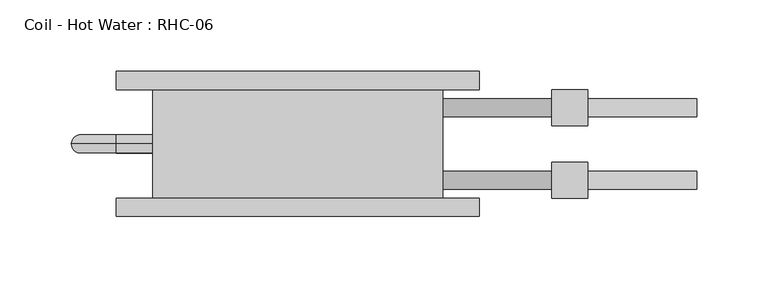
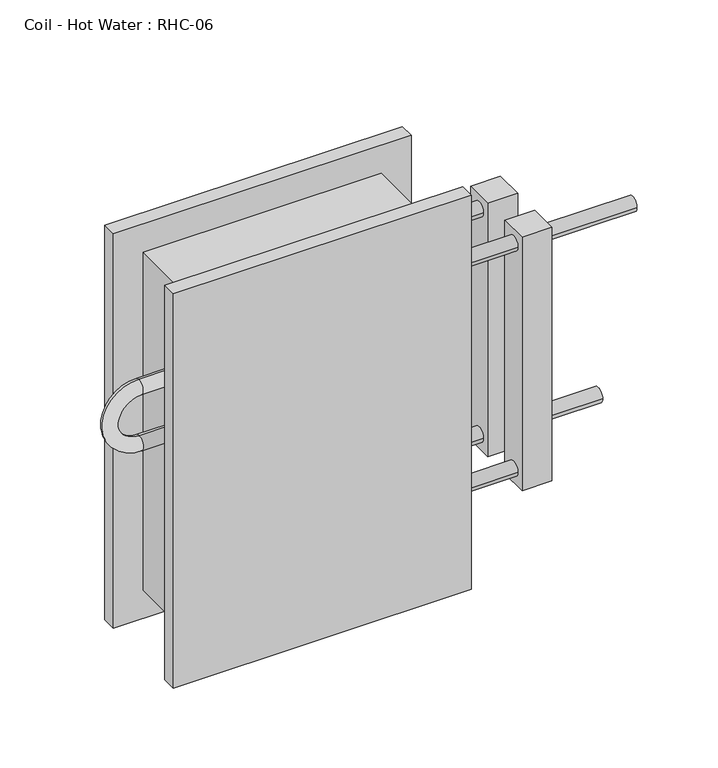
"""IFC4 building model written with IfcOpenShell, lengths in millimetres: proxy geometry, Coil - Hot Water : RHC-06."""

from ifc_helpers import new_model, si_unit, point, frame, origin, place, context, project, spatial, circle_curve, ellipse_curve, trimmed, source, transform, mapped, element, save
from ifc_brep_helpers import plane_surface, cylinder_surface, revolved_surface, advanced_brep


def coil_hot_water_rhc_06_cd03fad8(model_context):
    return source(origin(), model_context, "Body", "AdvancedBrep", [
        advanced_brep(
        [(-101.6, 76.2, 304.8), (-101.6, 0.0, 304.8), (101.6, 0.0, 304.8), (101.6, 76.2, 304.8), (101.6, 76.2, 0.0), (101.6, 0.0, 0.0), (-101.6, 0.0, 0.0), (-101.6, 76.2, 0.0), (-101.6, 38.1, 222.25), (-101.6, 38.1, 209.55), (-101.6, 38.1, 171.45), (-101.6, 38.1, 158.75), (101.6, 57.15, 254.0), (101.6, 69.85, 254.0), (101.6, 6.35, 50.8), (101.6, 19.05, 50.8), (101.6, 6.35, 254.0), (101.6, 19.05, 254.0), (101.6, 57.15, 50.8), (101.6, 69.85, 50.8), (127.0, 76.2, 330.2), (-127.0, 76.2, 330.2), (-127.0, 76.2, -25.4), (127.0, 76.2, -25.4), (127.0, 88.9, 330.2), (127.0, 88.9, -25.4), (-127.0, 88.9, -25.4), (-127.0, 88.9, 330.2), (279.4, 57.15, 50.8), (279.4, 69.85, 50.8), (279.4, 6.35, 254.0), (279.4, 19.05, 254.0), (203.2, 57.15, 50.8), (203.2, 69.85, 50.8), (203.2, 6.35, 254.0), (203.2, 19.05, 254.0), (127.0, -12.7, 330.2), (-127.0, -12.7, 330.2), (-127.0, -12.7, -25.4), (127.0, -12.7, -25.4), (127.0, 0.0, 330.2), (127.0, 0.0, -25.4), (-127.0, 0.0, -25.4), (-127.0, 0.0, 330.2), (-127.0, 38.1, 222.25), (-127.0, 38.1, 209.55), (-127.0, 38.1, 158.75), (-127.0, 38.1, 171.45), (177.8, 57.15, 254.0), (177.8, 69.85, 254.0), (177.8, 6.35, 50.8), (177.8, 19.05, 50.8), (177.8, 6.35, 254.0), (177.8, 19.05, 254.0), (177.8, 57.15, 50.8), (177.8, 69.85, 50.8), (203.2, 50.8, 266.7), (203.2, 50.8, 38.1), (203.2, 76.2, 38.1), (203.2, 76.2, 266.7), (203.2, 0.0, 266.7), (203.2, 0.0, 38.1), (203.2, 25.4, 38.1), (203.2, 25.4, 266.7), (177.8, 50.8, 266.7), (177.8, 76.2, 266.7), (177.8, 76.2, 38.1), (177.8, 50.8, 38.1), (177.8, 0.0, 266.7), (177.8, 25.4, 266.7), (177.8, 25.4, 38.1), (177.8, 0.0, 38.1)],
        [
            (0, 1),
            (1, 2),
            (2, 3),
            (3, 0),
            (4, 5),
            (5, 6),
            (6, 7),
            (7, 4),
            (0, 7),
            (6, 1),
            (8, 9, circle_curve(frame((-101.6, 38.1, 215.9), z_axis=(1.0, 0.0, 0.0), x_axis=(0.0, 0.0, -1.0)), 6.35)),
            (9, 8, circle_curve(frame((-101.6, 38.1, 215.9), z_axis=(1.0, 0.0, 0.0), x_axis=(0.0, 0.0, -1.0)), 6.35)),
            (10, 11, circle_curve(frame((-101.6, 38.1, 165.1), z_axis=(1.0, 0.0, 0.0), x_axis=(0.0, 0.0, 1.0)), 6.35)),
            (11, 10, circle_curve(frame((-101.6, 38.1, 165.1), z_axis=(1.0, 0.0, 0.0), x_axis=(0.0, 0.0, 1.0)), 6.35)),
            (2, 5),
            (4, 3),
            (12, 13, circle_curve(frame((101.6, 63.5, 254.0), z_axis=(-1.0, 0.0, 0.0), x_axis=(0.0, 1.0, 0.0)), 6.35)),
            (13, 12, circle_curve(frame((101.6, 63.5, 254.0), z_axis=(-1.0, 0.0, 0.0), x_axis=(0.0, 1.0, 0.0)), 6.35)),
            (14, 15, circle_curve(frame((101.6, 12.7, 50.8), z_axis=(-1.0, 0.0, 0.0), x_axis=(0.0, 1.0, 0.0)), 6.35)),
            (15, 14, circle_curve(frame((101.6, 12.7, 50.8), z_axis=(-1.0, 0.0, 0.0), x_axis=(0.0, 1.0, 0.0)), 6.35)),
            (16, 17, circle_curve(frame((101.6, 12.7, 254.0), z_axis=(-1.0, 0.0, 0.0), x_axis=(0.0, 1.0, 0.0)), 6.35)),
            (17, 16, circle_curve(frame((101.6, 12.7, 254.0), z_axis=(-1.0, 0.0, 0.0), x_axis=(0.0, 1.0, 0.0)), 6.35)),
            (18, 19, circle_curve(frame((101.6, 63.5, 50.8), z_axis=(-1.0, 0.0, 0.0), x_axis=(0.0, 1.0, 0.0)), 6.35)),
            (19, 18, circle_curve(frame((101.6, 63.5, 50.8), z_axis=(-1.0, 0.0, 0.0), x_axis=(0.0, 1.0, 0.0)), 6.35)),
            (20, 21),
            (21, 22),
            (22, 23),
            (23, 20),
            (24, 25),
            (25, 26),
            (26, 27),
            (27, 24),
            (20, 24),
            (27, 21),
            (26, 22),
            (25, 23),
            (28, 29, circle_curve(frame((279.4, 63.5, 50.8), z_axis=(1.0, 0.0, 0.0), x_axis=(0.0, 1.0, 0.0)), 6.35)),
            (29, 28, circle_curve(frame((279.4, 63.5, 50.8), z_axis=(1.0, 0.0, 0.0), x_axis=(0.0, 1.0, 0.0)), 6.35)),
            (30, 31, circle_curve(frame((279.4, 12.7, 254.0), z_axis=(1.0, 0.0, 0.0), x_axis=(0.0, 1.0, 0.0)), 6.35)),
            (31, 30, circle_curve(frame((279.4, 12.7, 254.0), z_axis=(1.0, 0.0, 0.0), x_axis=(0.0, 1.0, 0.0)), 6.35)),
            (28, 32),
            (32, 33, circle_curve(frame((203.2, 63.5, 50.8), z_axis=(1.0, 0.0, 0.0), x_axis=(0.0, 1.0, 0.0)), 6.35)),
            (33, 29),
            (33, 32, circle_curve(frame((203.2, 63.5, 50.8), z_axis=(1.0, 0.0, 0.0), x_axis=(0.0, 1.0, 0.0)), 6.35)),
            (30, 34),
            (34, 35, circle_curve(frame((203.2, 12.7, 254.0), z_axis=(1.0, 0.0, 0.0), x_axis=(0.0, 1.0, 0.0)), 6.35)),
            (35, 31),
            (35, 34, circle_curve(frame((203.2, 12.7, 254.0), z_axis=(1.0, 0.0, 0.0), x_axis=(0.0, 1.0, 0.0)), 6.35)),
            (36, 37),
            (37, 38),
            (38, 39),
            (39, 36),
            (40, 41),
            (41, 42),
            (42, 43),
            (43, 40),
            (36, 40),
            (43, 37),
            (42, 38),
            (41, 39),
            (8, 44),
            (44, 45, circle_curve(frame((-127.0, 38.1, 215.9), z_axis=(1.0, 0.0, 0.0), x_axis=(0.0, 0.0, -1.0)), 6.35)),
            (45, 9),
            (45, 44, circle_curve(frame((-127.0, 38.1, 215.9), z_axis=(1.0, 0.0, 0.0), x_axis=(0.0, 0.0, -1.0)), 6.35)),
            (44, 46, circle_curve(frame((-127.0, 38.1, 190.5), z_axis=(0.0, -1.0, 0.0), x_axis=(0.0, 0.0, 1.0)), 31.75)),
            (46, 47, circle_curve(frame((-127.0, 38.1, 165.1), z_axis=(-1.0, 0.0, 0.0), x_axis=(0.0, 0.0, 1.0)), 6.35)),
            (47, 45, circle_curve(frame((-127.0, 38.1, 190.5), z_axis=(0.0, 1.0, 0.0), x_axis=(0.0, 0.0, 1.0)), 19.05)),
            (47, 46, circle_curve(frame((-127.0, 38.1, 165.1), z_axis=(-1.0, 0.0, 0.0), x_axis=(0.0, 0.0, 1.0)), 6.35)),
            (46, 11),
            (10, 47),
            (12, 48),
            (48, 49, circle_curve(frame((177.8, 63.5, 254.0), z_axis=(-1.0, 0.0, 0.0), x_axis=(0.0, 1.0, 0.0)), 6.35)),
            (49, 13),
            (49, 48, circle_curve(frame((177.8, 63.5, 254.0), z_axis=(-1.0, 0.0, 0.0), x_axis=(0.0, 1.0, 0.0)), 6.35)),
            (14, 50),
            (50, 51, circle_curve(frame((177.8, 12.7, 50.8), z_axis=(-1.0, 0.0, 0.0), x_axis=(0.0, 1.0, 0.0)), 6.35)),
            (51, 15),
            (51, 50, circle_curve(frame((177.8, 12.7, 50.8), z_axis=(-1.0, 0.0, 0.0), x_axis=(0.0, 1.0, 0.0)), 6.35)),
            (16, 52),
            (52, 53, circle_curve(frame((177.8, 12.7, 254.0), z_axis=(-1.0, 0.0, 0.0), x_axis=(0.0, 1.0, 0.0)), 6.35)),
            (53, 17),
            (53, 52, circle_curve(frame((177.8, 12.7, 254.0), z_axis=(-1.0, 0.0, 0.0), x_axis=(0.0, 1.0, 0.0)), 6.35)),
            (18, 54),
            (54, 55, circle_curve(frame((177.8, 63.5, 50.8), z_axis=(-1.0, 0.0, 0.0), x_axis=(0.0, 1.0, 0.0)), 6.35)),
            (55, 19),
            (55, 54, circle_curve(frame((177.8, 63.5, 50.8), z_axis=(-1.0, 0.0, 0.0), x_axis=(0.0, 1.0, 0.0)), 6.35)),
            (56, 57),
            (57, 58),
            (58, 59),
            (59, 56),
            (60, 61),
            (61, 62),
            (62, 63),
            (63, 60),
            (64, 65),
            (65, 66),
            (66, 67),
            (67, 64),
            (68, 69),
            (69, 70),
            (70, 71),
            (71, 68),
            (56, 64),
            (67, 57),
            (66, 58),
            (65, 59),
            (60, 68),
            (71, 61),
            (70, 62),
            (69, 63),
        ],
        [
            plane_surface(frame((-101.6, 76.2, 304.8), z_axis=(0.0, 0.0, 1.0), x_axis=(-1.0, 0.0, 0.0))),
            plane_surface(frame((-101.6, 76.2, 0.0), z_axis=(0.0, 0.0, -1.0), x_axis=(1.0, 0.0, 0.0))),
            plane_surface(frame((-101.6, 76.2, 304.8), z_axis=(-1.0, 0.0, 0.0), x_axis=(0.0, 0.0, -1.0))),
            plane_surface(frame((101.6, 0.0, 304.8), z_axis=(1.0, 0.0, 0.0), x_axis=(0.0, 0.0, -1.0))),
            plane_surface(frame((-127.0, 76.2, 330.2), z_axis=(0.0, -1.0, 0.0), x_axis=(-1.0, 0.0, 0.0))),
            plane_surface(frame((-127.0, 88.9, 330.2), z_axis=(0.0, 1.0, 0.0), x_axis=(1.0, 0.0, 0.0))),
            plane_surface(frame((127.0, 76.2, 330.2), z_axis=(0.0, 0.0, 1.0), x_axis=(0.0, 1.0, 0.0))),
            plane_surface(frame((-127.0, 76.2, 330.2), z_axis=(-1.0, 0.0, 0.0), x_axis=(0.0, 1.0, 0.0))),
            plane_surface(frame((-127.0, 76.2, -25.4), z_axis=(0.0, 0.0, -1.0), x_axis=(0.0, 1.0, 0.0))),
            plane_surface(frame((127.0, 76.2, -25.4), z_axis=(1.0, 0.0, 0.0), x_axis=(0.0, 1.0, 0.0))),
            plane_surface(frame((279.4, 69.85, 50.8), z_axis=(1.0, 0.0, 0.0), x_axis=(0.0, 0.0, 1.0))),
            cylinder_surface(frame((203.2, 63.5, 50.8), z_axis=(1.0, 0.0, 0.0), x_axis=(0.0, 1.0, 0.0)), 6.35),
            cylinder_surface(frame((0.0, 12.7, 254.0), z_axis=(1.0, 0.0, 0.0), x_axis=(0.0, 1.0, 0.0)), 6.35),
            plane_surface(frame((-127.0, -12.7, 330.2), z_axis=(0.0, -1.0, 0.0), x_axis=(-1.0, 0.0, 0.0))),
            plane_surface(frame((-127.0, 0.0, 330.2), z_axis=(0.0, 1.0, 0.0), x_axis=(1.0, 0.0, 0.0))),
            plane_surface(frame((127.0, -12.7, 330.2), z_axis=(0.0, 0.0, 1.0), x_axis=(0.0, 1.0, 0.0))),
            plane_surface(frame((-127.0, -12.7, 330.2), z_axis=(-1.0, 0.0, 0.0), x_axis=(0.0, 1.0, 0.0))),
            plane_surface(frame((-127.0, -12.7, -25.4), z_axis=(0.0, 0.0, -1.0), x_axis=(0.0, 1.0, 0.0))),
            plane_surface(frame((127.0, -12.7, -25.4), z_axis=(1.0, 0.0, 0.0), x_axis=(0.0, 1.0, 0.0))),
            cylinder_surface(frame((-101.6, 38.1, 215.9), z_axis=(1.0, 0.0, 0.0), x_axis=(0.0, 0.0, -1.0)), 6.35),
            revolved_surface(trimmed(ellipse_curve(frame((-127.0, 38.1, 215.9), z_axis=(1.0, 0.0, 0.0), x_axis=(0.0, 0.0, -1.0)), 6.35, 6.35), [point((-127.0, 38.1, 222.25))], [point((-127.0, 38.1, 209.55))], True, "CARTESIAN"), (-127.0, 0.0, 190.5), (0.0, -1.0, 0.0)),
            revolved_surface(trimmed(ellipse_curve(frame((-127.0, 38.1, 215.9), z_axis=(1.0, 0.0, 0.0), x_axis=(0.0, 0.0, -1.0)), 6.35, 6.35), [point((-127.0, 38.1, 209.55))], [point((-127.0, 38.1, 222.25))], True, "CARTESIAN"), (-127.0, 0.0, 190.5), (0.0, -1.0, 0.0)),
            cylinder_surface(frame((-127.0, 38.1, 165.1), z_axis=(-1.0, 0.0, 0.0), x_axis=(0.0, 0.0, 1.0)), 6.35),
            cylinder_surface(frame((101.6, 63.5, 254.0), z_axis=(-1.0, 0.0, 0.0), x_axis=(0.0, 1.0, 0.0)), 6.35),
            cylinder_surface(frame((101.6, 12.7, 50.8), z_axis=(-1.0, 0.0, 0.0), x_axis=(0.0, 1.0, 0.0)), 6.35),
            cylinder_surface(frame((101.6, 12.7, 254.0), z_axis=(-1.0, 0.0, 0.0), x_axis=(0.0, 1.0, 0.0)), 6.35),
            cylinder_surface(frame((101.6, 63.5, 50.8), z_axis=(-1.0, 0.0, 0.0), x_axis=(0.0, 1.0, 0.0)), 6.35),
            plane_surface(frame((203.2, 50.8, 264.0802069), z_axis=(1.0, 0.0, 0.0), x_axis=(0.0, 0.0, -1.0))),
            plane_surface(frame((177.8, 50.8, 264.0802069), z_axis=(-1.0, 0.0, 0.0), x_axis=(0.0, 0.0, 1.0))),
            plane_surface(frame((203.2, 50.8, 266.7), z_axis=(0.0, -1.0, 0.0), x_axis=(-1.0, 0.0, 0.0))),
            plane_surface(frame((203.2, 50.8, 38.1), z_axis=(0.0, 0.0, -1.0), x_axis=(-1.0, 0.0, 0.0))),
            plane_surface(frame((203.2, 76.2, 38.1), z_axis=(0.0, 1.0, 0.0), x_axis=(-1.0, 0.0, 0.0))),
            plane_surface(frame((203.2, 76.2, 266.7), z_axis=(0.0, 0.0, 1.0), x_axis=(-1.0, 0.0, 0.0))),
            plane_surface(frame((203.2, 0.0, 266.7), z_axis=(0.0, -1.0, 0.0), x_axis=(-1.0, 0.0, 0.0))),
            plane_surface(frame((203.2, 0.0, 38.1), z_axis=(0.0, 0.0, -1.0), x_axis=(-1.0, 0.0, 0.0))),
            plane_surface(frame((203.2, 25.4, 38.1), z_axis=(0.0, 1.0, 0.0), x_axis=(-1.0, 0.0, 0.0))),
            plane_surface(frame((203.2, 25.4, 266.7), z_axis=(0.0, 0.0, 1.0), x_axis=(-1.0, 0.0, 0.0))),
        ],
        [
            (0, [[1, 2, 3, 4]]),
            (1, [[5, 6, 7, 8]]),
            (2, [[-1, 9, -7, 10], [11, 12], [13, 14]]),
            (3, [[-3, 15, -5, 16], [17, 18], [19, 20], [21, 22], [23, 24]]),
            (4, [[25, 26, 27, 28], [-4, -16, -8, -9]]),
            (5, [[29, 30, 31, 32]]),
            (6, [[-25, 33, -32, 34]]),
            (7, [[-26, -34, -31, 35]]),
            (8, [[-27, -35, -30, 36]]),
            (9, [[-28, -36, -29, -33]]),
            (10, [[37, 38]]),
            (10, [[39, 40]]),
            (11, [[-37, 41, 42, 43]]),
            (11, [[-38, -43, 44, -41]]),
            (12, [[-39, 45, 46, 47]]),
            (12, [[-40, -47, 48, -45]]),
            (13, [[49, 50, 51, 52]]),
            (14, [[53, 54, 55, 56], [-2, -10, -6, -15]]),
            (15, [[-49, 57, -56, 58]]),
            (16, [[-50, -58, -55, 59]]),
            (17, [[-51, -59, -54, 60]]),
            (18, [[-52, -60, -53, -57]]),
            (19, [[61, 62, 63, -11]]),
            (19, [[-61, -12, -63, 64]]),
            (20, [[-62, 65, 66, 67]]),
            (21, [[-64, -67, 68, -65]]),
            (22, [[-66, 69, -13, 70]]),
            (22, [[-68, -70, -14, -69]]),
            (23, [[71, 72, 73, -17]]),
            (23, [[-71, -18, -73, 74]]),
            (24, [[75, 76, 77, -19]]),
            (24, [[-75, -20, -77, 78]]),
            (25, [[79, 80, 81, -21]]),
            (25, [[-79, -22, -81, 82]]),
            (26, [[83, 84, 85, -23]]),
            (26, [[-83, -24, -85, 86]]),
            (27, [[87, 88, 89, 90], [-42, -44]]),
            (27, [[91, 92, 93, 94], [-46, -48]]),
            (28, [[95, 96, 97, 98], [-72, -74], [-84, -86]]),
            (28, [[99, 100, 101, 102], [-76, -78], [-80, -82]]),
            (29, [[-87, 103, -98, 104]]),
            (30, [[-88, -104, -97, 105]]),
            (31, [[-89, -105, -96, 106]]),
            (32, [[-90, -106, -95, -103]]),
            (33, [[-91, 107, -102, 108]]),
            (34, [[-92, -108, -101, 109]]),
            (35, [[-93, -109, -100, 110]]),
            (36, [[-94, -110, -99, -107]]),
        ],
    ),
    ])


if __name__ == "__main__":
    model = new_model("IFC4")
    model_context = context("Model", 3, world=origin())
    ifc_project = project(units=[si_unit("LENGTHUNIT", "METRE", prefix="MILLI")], contexts=[model_context])
    site = spatial("IfcSite", under=ifc_project)
    building = spatial("IfcBuilding", under=site)
    placement = place(None, origin())
    coil_hot_water_rhc_06_shape = coil_hot_water_rhc_06_cd03fad8(model_context)
    element("IfcBuildingElementProxy", 1, Name="Coil - Hot Water : RHC-06", ObjectType="Coil - Hot Water : RHC-06", at=placement, inside=building, context=model_context, shape_type="MappedRepresentation", body=[
        mapped(coil_hot_water_rhc_06_shape, transform((0.0, 0.0, 0.0), x_axis=(1.0, 0.0, 0.0), y_axis=(0.0, 1.0, 0.0), z_axis=(0.0, 0.0, 1.0))),
    ])
    save(model, "model.ifc")
